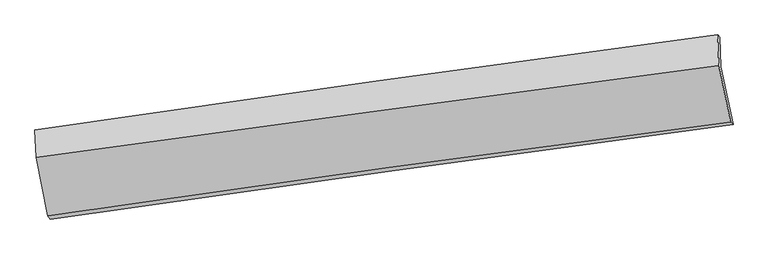
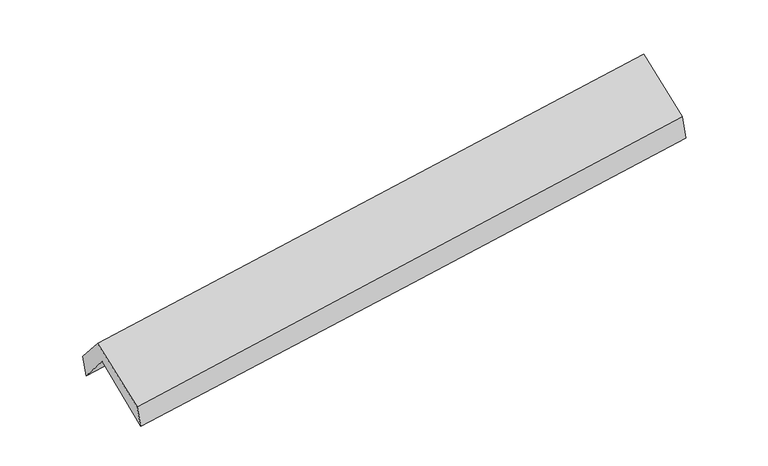
"""IFC4 building model written with IfcOpenShell, lengths in millimetres: proxy geometry."""

from ifc_helpers import new_model, si_unit, frame, origin, place, context, project, spatial, source, transform, mapped, element, save
from ifc_brep_helpers import plane_surface, spline_curve, spline_surface, advanced_brep


def generic_models_3ac820b2(model_context):
    return source(origin(), model_context, "Body", "AdvancedBrep", [
        advanced_brep(
        [(-2889.9470159, -2495.2098309, 1446.0700981), (-2993.5427346, -2007.1457245, 1875.6403765), (2934.7497517, -1166.593608, 2366.6677482), (3042.4110639, -1673.7861952, 1929.8219193), (-3004.3263602, -1747.5796113, 1571.6178152), (2925.3987175, -912.4409105, 2054.6074813), (-3024.2195325, -1719.2522526, 1763.3481528), (2907.5906831, -891.3811437, 2231.5394822), (-3014.211144, -1960.1581029, 2045.5144677), (2918.8024708, -1161.2532872, 2547.6332099), (-2910.5419686, -2466.454033, 1645.5178474), (3020.5623011, -1648.6715745, 2148.106258)],
        [
            (0, 1),
            (1, 2, spline_curve(3, [(-2993.5427346, -2007.1457245, 1875.6403765), (-2005.620682921, -1859.978023179, 1947.156283116), (-1017.632068882, -1716.347730165, 2023.83348419), (958.465428235, -1436.163783277, 2187.509408954), (1946.574309636, -1299.61003761, 2274.507998734), (2934.7497517, -1166.593608, 2366.6677482)], [4, 2, 4], [0.0, 9.856000843248347, 19.711873443477117])),
            (2, 3),
            (3, 0, spline_curve(3, [(3042.4110639, -1673.7861952, 1929.8219193), (2053.598285264, -1805.039256107, 1840.723599667), (1064.831938333, -1939.117292577, 1755.862022623), (-912.620755997, -2212.925097583, 1594.611305499), (-1901.307102728, -2352.654939693, 1518.222275277), (-2889.9470159, -2495.2098309, 1446.0700981)], [4, 2, 4], [0.0, 9.85587260022877, 19.711873443477117])),
            (1, 4),
            (4, 5, spline_curve(3, [(-3004.3263602, -1747.5796113, 1571.6178152), (-2015.705963356, -1602.156341067, 1637.679769724), (-1027.248794656, -1459.849381929, 1710.96019463), (949.326226903, -1181.469895974, 1871.956937545), (1937.444084267, -1045.397288461, 1959.673068337), (2925.3987175, -912.4409105, 2054.6074813)], [4, 2, 4], [0.0, 9.85543593149141, 19.71074362731369])),
            (5, 2),
            (4, 6),
            (6, 7, spline_curve(3, [(-3024.2195325, -1719.2522526, 1763.3481528), (-2035.899529156, -1575.1261274, 1834.800615194), (-1047.418792546, -1434.073376934, 1909.543065765), (929.85128367, -1158.116420608, 2065.606927703), (1918.640618681, -1023.21213496, 2146.928253684), (2907.5906831, -891.3811437, 2231.5394822)], [4, 2, 4], [0.0, 9.85527851825347, 19.710428802886018])),
            (7, 5),
            (6, 8),
            (8, 9, spline_curve(3, [(-3014.211144, -1960.1581029, 2045.5144677), (-2025.557703211, -1824.05794739, 2126.367524884), (-1036.80996456, -1689.432045026, 2208.637563747), (940.861243075, -1423.130477899, 2376.010514346), (1929.784709035, -1291.454775287, 2461.113389822), (2918.8024708, -1161.2532872, 2547.6332099)], [4, 2, 4], [0.0, 9.8550078861646, 19.70988754222965])),
            (9, 7),
            (8, 10),
            (10, 11, spline_curve(3, [(-2910.5419686, -2466.454033, 1645.5178474), (-1922.566083933, -2323.458856788, 1724.528198017), (-934.316234845, -2183.812308991, 1805.916028674), (1042.7185289, -1911.218243472, 1973.445560599), (2031.503436379, -1778.270638334, 2059.587199994), (3020.5623011, -1648.6715745, 2148.106258)], [4, 2, 4], [0.0, 9.855630512162678, 19.711132786124406])),
            (11, 9),
            (10, 0),
            (3, 11),
        ],
        [
            spline_surface(3, 3, [[(-2889.9470159, -2495.2098309, 1446.0700981), (-1901.307102612, -2352.654939764, 1518.222275223), (-912.62075608, -2212.925097612, 1594.611305386), (1064.831938416, -1939.117292548, 1755.862022736), (2053.598285108, -1805.039256162, 1840.723599586), (3042.4110639, -1673.7861952, 1929.8219193)], [(-2924.478922126, -2332.521795414, 1589.26019091), (-1936.078296072, -2188.429300875, 1661.200277917), (-947.624526999, -2047.399308421, 1737.685364964), (1029.37643506, -1771.466122787, 1899.744484827), (2017.923626601, -1636.562849953, 1985.318399286), (3006.52395984, -1504.721999466, 2075.437195591)], [(-2959.010828374, -2169.833759986, 1732.45028369), (-1970.849489551, -2024.203662044, 1804.17828058), (-982.628297997, -1881.873519299, 1880.75942455), (993.920931626, -1603.814953095, 2043.626946926), (1982.248968075, -1468.086443746, 2129.913199012), (2970.63685576, -1335.657803734, 2221.052471909)], [(-2993.5427346, -2007.1457245, 1875.6403765), (-2005.620683011, -1859.978023154, 1947.156283273), (-1017.632068916, -1716.347730108, 2023.833484128), (958.46542827, -1436.163783334, 2187.509409016), (1946.574309568, -1299.610037537, 2274.507998711), (2934.7497517, -1166.593608, 2366.6677482)]], [4, 4], [4, 2, 4], [0.0, 2.191565894800238], [0.0, 9.856000843248347, 19.711873443477117]),
            spline_surface(3, 3, [[(-2993.5427346, -2007.1457245, 1875.6403765), (-2005.620683011, -1859.978023154, 1947.156283273), (-1017.632068916, -1716.347730108, 2023.833484128), (958.46542827, -1436.163783334, 2187.509409016), (1946.574309568, -1299.610037537, 2274.507998711), (2934.7497517, -1166.593608, 2366.6677482)], [(-2997.137276453, -1920.62368676, 1774.29952273), (-2008.982443111, -1774.037462484, 1843.997445389), (-1020.837644177, -1630.848280698, 1919.542387595), (955.419027825, -1351.26582091, 2082.325251931), (1943.530901092, -1214.872454491, 2169.563021876), (2931.632740274, -1081.876042174, 2262.647659237)], [(-3000.731818347, -1834.10164904, 1672.95866897), (-2012.344203251, -1688.096901835, 1740.838607515), (-1024.043219433, -1545.34883127, 1815.251291005), (952.372627385, -1266.367858467, 1977.141094788), (1940.487492694, -1130.134871422, 2064.61804503), (2928.515728926, -997.158476326, 2158.627570263)], [(-3004.3263602, -1747.5796113, 1571.6178152), (-2015.705963352, -1602.156341166, 1637.67976963), (-1027.248794694, -1459.84938186, 1710.960194472), (949.32622694, -1181.469896042, 1871.956937703), (1937.444084219, -1045.397288376, 1959.673068195), (2925.3987175, -912.4409105, 2054.6074813)]], [4, 4], [4, 2, 4], [0.0, 1.3292344230832254], [0.0, 9.85543593149141, 19.71074362731369]),
            spline_surface(3, 3, [[(-3004.3263602, -1747.5796113, 1571.6178152), (-2015.705963352, -1602.156341166, 1637.67976963), (-1027.248794694, -1459.84938186, 1710.960194472), (949.32622694, -1181.469896042, 1871.956937703), (1937.444084219, -1045.397288376, 1959.673068195), (2925.3987175, -912.4409105, 2054.6074813)], [(-3010.957417624, -1738.13715841, 1635.527927741), (-2022.43715194, -1593.146269936, 1703.386718155), (-1033.972127287, -1451.257380233, 1777.154484888), (942.834579149, -1173.685404246, 1936.506934405), (1931.176262425, -1038.002237182, 2022.091463372), (2919.462706052, -905.420988222, 2113.584814935)], [(-3017.588475076, -1728.69470549, 1699.438040259), (-2029.168340556, -1584.136198677, 1769.093666658), (-1040.695459865, -1442.66537856, 1843.348775272), (936.342931374, -1165.900912406, 2001.056931077), (1924.908440575, -1030.607186023, 2084.509858546), (2913.526694548, -898.401065978, 2172.562148565)], [(-3024.2195325, -1719.2522526, 1763.3481528), (-2035.899529144, -1575.126127448, 1834.800615184), (-1047.418792458, -1434.073376933, 1909.543065688), (929.851283583, -1158.116420609, 2065.60692778), (1918.64061878, -1023.212134829, 2146.928253723), (2907.5906831, -891.3811437, 2231.5394822)]], [4, 4], [4, 2, 4], [0.0, 0.651707482932626], [0.0, 9.85527851825347, 19.710428802886018]),
            spline_surface(3, 3, [[(-3024.2195325, -1719.2522526, 1763.3481528), (-2035.899529144, -1575.126127448, 1834.800615184), (-1047.418792458, -1434.073376933, 1909.543065688), (929.851283583, -1158.116420609, 2065.60692778), (1918.64061878, -1023.212134829, 2146.928253723), (2907.5906831, -891.3811437, 2231.5394822)], [(-3020.883403023, -1799.55420271, 1857.403591114), (-2032.452253864, -1658.103400801, 1931.989585125), (-1043.882516447, -1519.192932931, 2009.241231643), (933.521270043, -1246.454439759, 2169.074790013), (1922.355315535, -1112.626348358, 2251.656632467), (2911.327945653, -981.338524879, 2336.90405809)], [(-3017.547273477, -1879.85615279, 1951.459029386), (-2029.004978515, -1741.080674126, 2029.178555022), (-1040.346240448, -1604.312488898, 2108.939397628), (937.191256491, -1334.792458879, 2272.542652276), (1926.070012331, -1202.040561848, 2356.385011241), (2915.065208247, -1071.295906021, 2442.26863401)], [(-3014.211144, -1960.1581029, 2045.5144677), (-2025.557703235, -1824.057947479, 2126.367524963), (-1036.809964436, -1689.432044897, 2208.637563583), (940.861242951, -1423.130478029, 2376.010514509), (1929.784709086, -1291.454775377, 2461.113389986), (2918.8024708, -1161.2532872, 2547.6332099)]], [4, 4], [4, 2, 4], [0.0, 1.3151449903832142], [0.0, 9.8550078861646, 19.70988754222965]),
            spline_surface(3, 3, [[(-3014.211144, -1960.1581029, 2045.5144677), (-2025.557703235, -1824.057947479, 2126.367524963), (-1036.809964436, -1689.432044897, 2208.637563583), (940.861242951, -1423.130478029, 2376.010514509), (1929.784709086, -1291.454775377, 2461.113389986), (2918.8024708, -1161.2532872, 2547.6332099)], [(-2979.654752187, -2128.923412924, 1912.182260916), (-1991.227163407, -1990.524917282, 1992.421082581), (-1002.645387921, -1854.225466276, 2074.397051915), (974.813671563, -1585.826399803, 2241.822196554), (1963.690951549, -1453.72672971, 2327.271326697), (2952.722414228, -1323.72604963, 2414.457559258)], [(-2945.098360413, -2297.688722976, 1778.850054184), (-1956.896623617, -2156.991887114, 1858.474640252), (-968.480811326, -2019.018887694, 1940.156540272), (1008.766100255, -1748.522321615, 2107.633878624), (1997.597194029, -1615.998684053, 2193.429263434), (2986.642357672, -1486.19881207, 2281.281908642)], [(-2910.5419686, -2466.454033, 1645.5178474), (-1922.566083788, -2323.458856917, 1724.52819787), (-934.316234811, -2183.812309074, 1805.916028605), (1042.718528867, -1911.21824339, 1973.445560669), (2031.503436492, -1778.270638385, 2059.587200146), (3020.5623011, -1648.6715745, 2148.106258)]], [4, 4], [4, 2, 4], [0.0, 2.1106597383189607], [0.0, 9.855630512162678, 19.711132786124406]),
            spline_surface(3, 3, [[(-2910.5419686, -2466.454033, 1645.5178474), (-1922.566083788, -2323.458856917, 1724.52819787), (-934.316234811, -2183.812309074, 1805.916028605), (1042.718528867, -1911.21824339, 1973.445560669), (2031.503436492, -1778.270638385, 2059.587200146), (3020.5623011, -1648.6715745, 2148.106258)], [(-2903.676984386, -2476.039298983, 1579.035264289), (-1915.479756749, -2333.19088455, 1655.759556977), (-927.084408564, -2193.516571925, 1735.481120857), (1050.089665387, -1920.517926447, 1900.917714683), (2038.868386051, -1787.193510973, 1986.632666648), (3027.845222054, -1657.043114729, 2075.344811789)], [(-2896.812000114, -2485.624564917, 1512.552681211), (-1908.393429652, -2342.922912132, 1586.990916117), (-919.852582327, -2203.220834761, 1665.046213134), (1057.460801896, -1929.81760949, 1828.389868722), (2046.233335549, -1796.116383574, 1913.678133084), (3035.128142946, -1665.414654971, 2002.583365511)], [(-2889.9470159, -2495.2098309, 1446.0700981), (-1901.307102612, -2352.654939764, 1518.222275223), (-912.62075608, -2212.925097612, 1594.611305386), (1064.831938416, -1939.117292548, 1755.862022736), (2053.598285108, -1805.039256162, 1840.723599586), (3042.4110639, -1673.7861952, 1929.8219193)]], [4, 4], [4, 2, 4], [0.0, 0.7133745589363197], [0.0, 9.856417993905547, 19.71270773936369]),
            plane_surface(frame((2958.252498, -1242.3544532, 2213.0626832), z_axis=(0.986943260214603, 0.1380978438688064, 0.08289744649720729), x_axis=(0.1593984503613812, -0.7635008770724084, -0.625826289582064))),
            plane_surface(frame((-2972.798126, -2065.9665925, 1724.6181263), z_axis=(-0.9871277805203632, -0.13722531266754776, -0.08214595844127454), x_axis=(-0.10167346941758401, 0.14196205226233588, 0.9846366240060632))),
        ],
        [
            (0, [[1, 2, 3, 4]]),
            (1, [[5, 6, 7, -2]]),
            (2, [[8, 9, 10, -6]]),
            (3, [[11, 12, 13, -9]]),
            (4, [[14, 15, 16, -12]]),
            (5, [[17, -4, 18, -15]]),
            (6, [[-16, -18, -3, -7, -10, -13]]),
            (7, [[-17, -14, -11, -8, -5, -1]]),
        ],
    ),
    ])


if __name__ == "__main__":
    model = new_model("IFC4")
    model_context = context("Model", 3, world=origin())
    ifc_project = project(units=[si_unit("LENGTHUNIT", "METRE", prefix="MILLI")], contexts=[model_context])
    site = spatial("IfcSite", under=ifc_project)
    building = spatial("IfcBuilding", under=site)
    placement = place(None, origin())
    generic_models_shape = generic_models_3ac820b2(model_context)
    element("IfcBuildingElementProxy", 1, Name="Generic Models", at=placement, inside=building, context=model_context, shape_type="MappedRepresentation", body=[
        mapped(generic_models_shape, transform((0.0, 0.0, 0.0), x_axis=(1.0, 0.0, 0.0), y_axis=(0.0, 1.0, 0.0), z_axis=(0.0, 0.0, 1.0))),
    ])
    save(model, "model.ifc")
